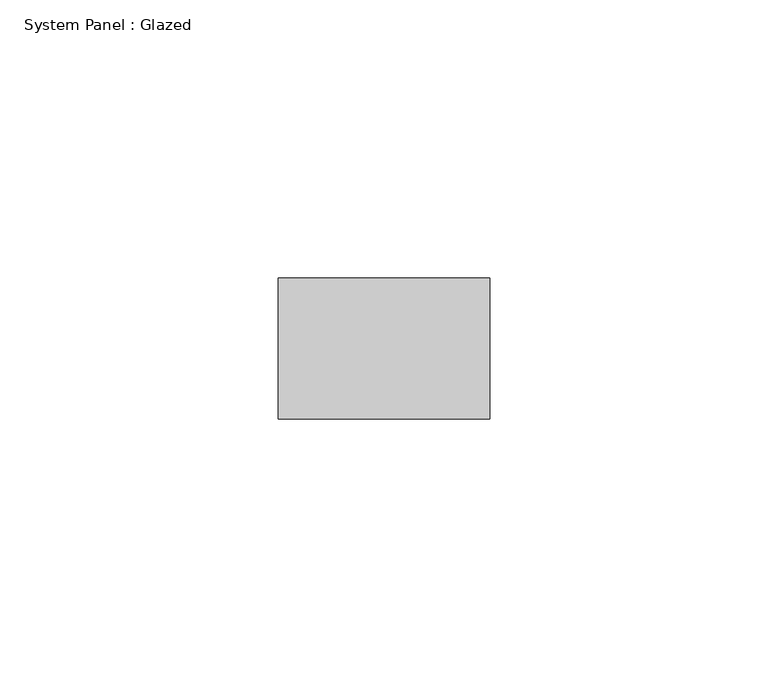
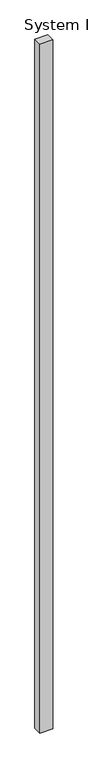
"""IFC4 building model written with IfcOpenShell, lengths in millimetres: plate geometry, System Panel : Glazed."""

from ifc_helpers import new_model, si_unit, origin, origin_with_axes, place, context, project, spatial, polyline, outline, extrude, source, transform, mapped, element, save


def system_panel_glazed_4a1ac943(model_context):
    return source(origin(), model_context, "Body", "SweptSolid", [
        extrude(outline(polyline([(19.05, -44.45), (-19.05, -44.45), (-19.05, -19.05), (19.05, -19.05), (19.05, -44.45)])), origin_with_axes(), (0.0, 0.0, 1.0), 2133.6),
    ])


if __name__ == "__main__":
    model = new_model("IFC4")
    model_context = context("Model", 3, world=origin())
    ifc_project = project(units=[si_unit("LENGTHUNIT", "METRE", prefix="MILLI")], contexts=[model_context])
    site = spatial("IfcSite", under=ifc_project)
    building = spatial("IfcBuilding", under=site)
    placement = place(None, origin())
    system_panel_glazed_shape = system_panel_glazed_4a1ac943(model_context)
    element("IfcPlate", 1, ObjectType="System Panel : Glazed", at=placement, inside=building, context=model_context, shape_type="MappedRepresentation", body=[
        mapped(system_panel_glazed_shape, transform((0.0, 0.0, 0.0), x_axis=(1.0, 0.0, 0.0), y_axis=(0.0, 1.0, 0.0), z_axis=(0.0, 0.0, 1.0))),
    ])
    save(model, "model.ifc")
